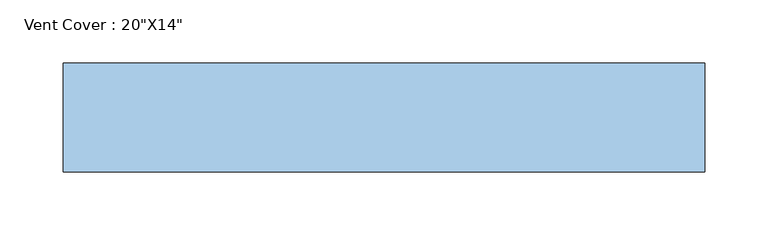
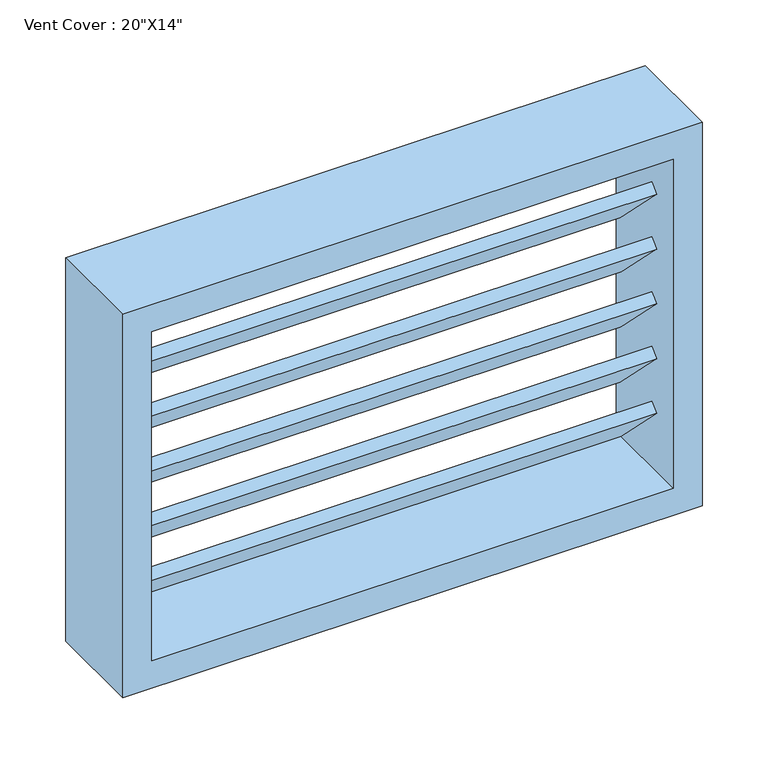
"""IFC4 building model written with IfcOpenShell, lengths in millimetres: window geometry."""

from ifc_helpers import new_model, si_unit, frame, origin, place, context, project, spatial, polyline, outline, extrude, source, transform, mapped, element, save


def window_bd4761ea(model_context):
    return source(origin(), model_context, "Body", "SweptSolid", [
        extrude(outline(polyline([(0.0, -76.2), (0.0, 0.0), (457.2, 0.0), (457.2, -76.2), (0.0, -76.2)])), frame((228.6, 2.5473955, 1133.2815367), z_axis=(0.0, 0.7071067811865506, 0.7071067811865446), x_axis=(-1.0, 0.0, 0.0)), (0.0, 0.0, 1.0), 10.0),
        extrude(outline(polyline([(0.0, -76.2), (0.0, 0.0), (457.2, 0.0), (457.2, -76.2), (0.0, -76.2)])), frame((228.6, 2.5473955, 1082.4815367), z_axis=(0.0, 0.7071067811865506, 0.7071067811865446), x_axis=(-1.0, 0.0, 0.0)), (0.0, 0.0, 1.0), 10.0),
        extrude(outline(polyline([(0.0, -76.2), (0.0, 0.0), (457.2, 0.0), (457.2, -76.2), (0.0, -76.2)])), frame((228.6, 2.5473955, 1031.6815367), z_axis=(0.0, 0.7071067811865506, 0.7071067811865446), x_axis=(-1.0, 0.0, 0.0)), (0.0, 0.0, 1.0), 10.0),
        extrude(outline(polyline([(0.0, -76.2), (0.0, 0.0), (457.2, 0.0), (457.2, -76.2), (0.0, -76.2)])), frame((228.6, 2.5473955, 980.8815367), z_axis=(0.0, 0.7071067811865506, 0.7071067811865446), x_axis=(-1.0, 0.0, 0.0)), (0.0, 0.0, 1.0), 10.0),
        extrude(outline(polyline([(0.0, -76.2), (0.0, 0.0), (457.2, 0.0), (457.2, -76.2), (0.0, -76.2)])), frame((228.6, 2.5473955, 930.0815367), z_axis=(0.0, 0.7071067811865506, 0.7071067811865446), x_axis=(-1.0, 0.0, 0.0)), (0.0, 0.0, 1.0), 10.0),
        extrude(outline(polyline([(0.0, -76.2), (0.0, 0.0), (457.2, 0.0), (457.2, -76.2), (0.0, -76.2)])), frame((228.6, 2.5473955, 879.2815367), z_axis=(0.0, 0.7071067811865506, 0.7071067811865446), x_axis=(-1.0, 0.0, 0.0)), (0.0, 0.0, 1.0), 10.0),
        extrude(outline(polyline([(1155.6, 254.0), (1155.6, -254.0), (800.0, -254.0), (800.0, 254.0), (1155.6, 254.0)]), holes=[polyline([(1130.2, 228.6), (825.4, 228.6), (825.4, -228.6), (1130.2, -228.6), (1130.2, 228.6)])]), frame((0.0, -22.7, 0.0), z_axis=(0.0, 1.0, 0.0), x_axis=(0.0, 0.0, 1.0)), (0.0, 0.0, 1.0), 86.2),
    ])


if __name__ == "__main__":
    model = new_model("IFC4")
    model_context = context("Model", 3, world=origin())
    ifc_project = project(units=[si_unit("LENGTHUNIT", "METRE", prefix="MILLI")], contexts=[model_context])
    site = spatial("IfcSite", under=ifc_project)
    building = spatial("IfcBuilding", under=site)
    placement = place(None, origin())
    window_shape = window_bd4761ea(model_context)
    element("IfcWindow", 1, ObjectType="Vent Cover : 20\"X14\"", at=placement, inside=building, context=model_context, shape_type="MappedRepresentation", body=[
        mapped(window_shape, transform((0.0, 0.0, 0.0), x_axis=(1.0, 0.0, 0.0), y_axis=(0.0, 1.0, 0.0), z_axis=(0.0, 0.0, 1.0))),
    ])
    save(model, "model.ifc")
